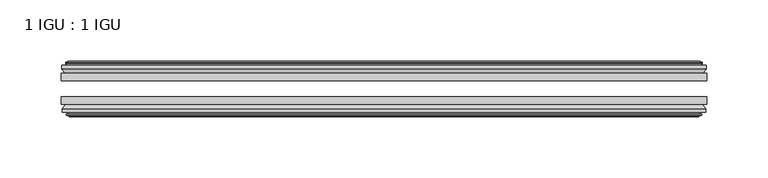
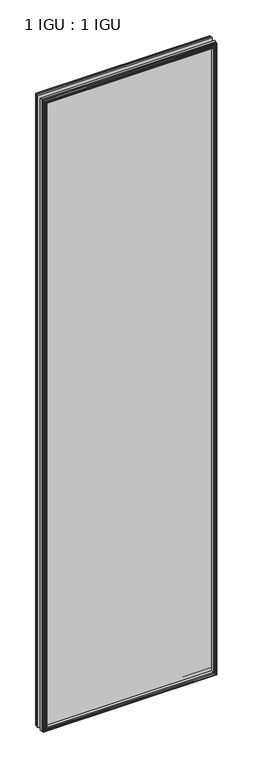
"""IFC4 building model written with IfcOpenShell, lengths in millimetres: plate geometry, 1 IGU : 1 IGU."""

from ifc_helpers import new_model, si_unit, frame, origin, place, context, project, spatial, polyline, outline, extrude, faceted_brep, source, transform, mapped, element, save


def plate_1_igu_1_igu_c68b1b67(model_context):
    return source(origin(), model_context, "Body", "SolidModel", [
        extrude(outline(polyline([(263.5091249, -19.5460937), (263.5091249, -25.8960938), (-263.5091249, -25.8960938), (-263.5091249, -19.5460937), (263.5091249, -19.5460937)])), frame((0.0, 0.0, -12.7), z_axis=(0.0, 0.0, 1.0), x_axis=(1.0, 0.0, 0.0)), (0.0, 0.0, 1.0), 2019.289595),
        extrude(outline(polyline([(-263.5091249, -44.9460938), (-263.5091249, -38.9186737), (263.5091249, -38.9186737), (263.5091249, -44.9460938), (-263.5091249, -44.9460938)])), frame((0.0, 0.0, -12.7), z_axis=(0.0, 0.0, 1.0), x_axis=(1.0, 0.0, 0.0)), (0.0, 0.0, 1.0), 2019.289595),
        faceted_brep([(-257.9211249, -53.6762907, 2001.001595), (-258.3021249, -51.2960937, 2001.382595), (-258.3021249, -51.2960937, -7.493), (-257.9211249, -53.6762907, -7.112), (-259.3366539, -53.2163575, 2002.4171241), (-259.3366539, -53.2163575, -8.5275291), (-259.3366539, -54.0175717, 2002.4171241), (-259.3366539, -54.0175717, -8.5275291), (-257.1591249, -54.7250937, 2000.239595), (-257.1591249, -54.7250937, -6.35), (-254.9815958, -54.0175717, 1998.062066), (-254.9815958, -54.0175717, -4.1724709), (-254.9815958, -53.2163575, 1998.062066), (-254.9815958, -53.2163575, -4.1724709), (-256.3971249, -53.6762907, 1999.477595), (-256.3971249, -53.6762907, -5.588), (-256.0161249, -51.2960937, 1999.096595), (-256.0161249, -51.2960937, -5.207), (-249.0914068, -44.9460937, 1992.171877), (-250.8091249, -51.2960937, 1993.889595), (-250.8091249, -51.2960937, 0.0), (-249.0914068, -44.9460937, 1.7177181), (-262.7471249, -48.3496937, 2005.827595), (-259.9127827, -44.9460937, 2002.9932529), (-259.9127827, -44.9460937, -9.1036578), (-262.7471249, -48.3496937, -11.938), (-262.7471249, -51.2960937, 2005.827595), (-262.7471249, -51.2960937, -11.938), (258.3021249, -51.2960938, -7.493), (257.9211249, -53.6762907, -7.112), (259.3366539, -53.2163575, -8.5275291), (259.3366539, -54.0175717, -8.5275291), (257.1591249, -54.7250937, -6.35), (254.9815958, -54.0175717, -4.1724709), (254.9815958, -53.2163575, -4.1724709), (256.3971249, -53.6762907, -5.588), (256.0161249, -51.2960937, -5.207), (250.8091249, -51.2960937, 0.0), (249.0914068, -44.9460937, 1.7177181), (259.9127827, -44.9460937, -9.1036578), (262.7471249, -48.3496937, -11.938), (262.7471249, -51.2960938, -11.938), (258.3021249, -51.2960938, 2001.382595), (257.9211249, -53.6762907, 2001.001595), (259.3366539, -53.2163575, 2002.4171241), (259.3366539, -54.0175717, 2002.4171241), (257.1591249, -54.7250937, 2000.239595), (254.9815958, -54.0175717, 1998.062066), (254.9815958, -53.2163575, 1998.062066), (256.3971249, -53.6762907, 1999.477595), (256.0161249, -51.2960937, 1999.096595), (250.8091249, -51.2960937, 1993.889595), (249.0914068, -44.9460937, 1992.171877), (259.9127827, -44.9460937, 2002.9932529), (262.7471249, -48.3496937, 2005.827595), (262.7471249, -51.2960938, 2005.827595)], [[[0, 1, 2, 3]], [[4, 0, 3, 5]], [[6, 4, 5, 7]], [[8, 6, 7, 9]], [[10, 8, 9, 11]], [[12, 10, 11, 13]], [[14, 12, 13, 15]], [[16, 14, 15, 17]], [[18, 19, 20, 21]], [[22, 23, 24, 25]], [[26, 22, 25, 27]], [[3, 2, 28, 29]], [[5, 3, 29, 30]], [[7, 5, 30, 31]], [[9, 7, 31, 32]], [[11, 9, 32, 33]], [[13, 11, 33, 34]], [[15, 13, 34, 35]], [[17, 15, 35, 36]], [[21, 20, 37, 38]], [[25, 24, 39, 40]], [[27, 25, 40, 41]], [[29, 28, 42, 43]], [[30, 29, 43, 44]], [[31, 30, 44, 45]], [[32, 31, 45, 46]], [[33, 32, 46, 47]], [[34, 33, 47, 48]], [[35, 34, 48, 49]], [[36, 35, 49, 50]], [[38, 37, 51, 52]], [[40, 39, 53, 54]], [[41, 40, 54, 55]], [[27, 41, 55, 26], [1, 42, 28, 2]], [[43, 42, 1, 0]], [[44, 43, 0, 4]], [[45, 44, 4, 6]], [[46, 45, 6, 8]], [[47, 46, 8, 10]], [[48, 47, 10, 12]], [[49, 48, 12, 14]], [[50, 49, 14, 16]], [[17, 36, 50, 16], [19, 51, 37, 20]], [[52, 51, 19, 18]], [[23, 53, 39, 24], [21, 38, 52, 18]], [[54, 53, 23, 22]], [[55, 54, 22, 26]]]),
        faceted_brep([(-260.4334827, -19.5460937, 2003.5139529), (-263.2678249, -16.1424937, 2006.348295), (-263.2678249, -16.1424937, -12.4587), (-260.4334827, -19.5460937, -9.6243578), (-251.3298249, -13.1960937, 1994.410295), (-249.6121068, -19.5460937, 1992.692577), (-249.6121068, -19.5460937, 1.1970181), (-251.3298249, -13.1960937, -0.5207), (-256.9178249, -10.8158968, 1999.998295), (-256.5368249, -13.1960937, 1999.617295), (-256.5368249, -13.1960937, -5.7277), (-256.9178249, -10.8158968, -6.1087), (-255.5022958, -11.27583, 1998.582766), (-255.5022958, -11.27583, -4.6931709), (-255.5022958, -10.4746158, 1998.582766), (-255.5022958, -10.4746158, -4.6931709), (-257.6798249, -9.7670937, 2000.760295), (-257.6798249, -9.7670937, -6.8707), (-259.8573539, -10.4746158, 2002.9378241), (-259.8573539, -10.4746158, -9.0482291), (-259.8573539, -11.27583, 2002.9378241), (-259.8573539, -11.27583, -9.0482291), (-258.4418249, -10.8158968, 2001.522295), (-258.4418249, -10.8158968, -7.6327), (-258.8228249, -13.1960937, 2001.903295), (-258.8228249, -13.1960937, -8.0137), (-263.2678249, -13.1960937, 2006.348295), (-263.2678249, -13.1960937, -12.4587), (263.2678249, -16.1424937, -12.4587), (260.4334827, -19.5460937, -9.6243578), (249.6121068, -19.5460937, 1.1970181), (251.3298249, -13.1960937, -0.5207), (256.5368249, -13.1960937, -5.7277), (256.9178249, -10.8158968, -6.1087), (255.5022958, -11.27583, -4.6931709), (255.5022958, -10.4746158, -4.6931709), (257.6798249, -9.7670937, -6.8707), (259.8573539, -10.4746158, -9.0482291), (259.8573539, -11.27583, -9.0482291), (258.4418249, -10.8158968, -7.6327), (258.8228249, -13.1960937, -8.0137), (263.2678249, -13.1960937, -12.4587), (263.2678249, -16.1424937, 2006.348295), (260.4334827, -19.5460937, 2003.5139529), (249.6121068, -19.5460937, 1992.692577), (251.3298249, -13.1960937, 1994.410295), (256.5368249, -13.1960937, 1999.617295), (256.9178249, -10.8158968, 1999.998295), (255.5022958, -11.27583, 1998.582766), (255.5022958, -10.4746158, 1998.582766), (257.6798249, -9.7670937, 2000.760295), (259.8573539, -10.4746158, 2002.9378241), (259.8573539, -11.27583, 2002.9378241), (258.4418249, -10.8158968, 2001.522295), (258.8228249, -13.1960937, 2001.903295), (263.2678249, -13.1960937, 2006.348295)], [[[0, 1, 2, 3]], [[4, 5, 6, 7]], [[8, 9, 10, 11]], [[12, 8, 11, 13]], [[14, 12, 13, 15]], [[16, 14, 15, 17]], [[18, 16, 17, 19]], [[20, 18, 19, 21]], [[22, 20, 21, 23]], [[24, 22, 23, 25]], [[1, 26, 27, 2]], [[3, 2, 28, 29]], [[7, 6, 30, 31]], [[11, 10, 32, 33]], [[13, 11, 33, 34]], [[15, 13, 34, 35]], [[17, 15, 35, 36]], [[19, 17, 36, 37]], [[21, 19, 37, 38]], [[23, 21, 38, 39]], [[25, 23, 39, 40]], [[2, 27, 41, 28]], [[29, 28, 42, 43]], [[31, 30, 44, 45]], [[33, 32, 46, 47]], [[34, 33, 47, 48]], [[35, 34, 48, 49]], [[36, 35, 49, 50]], [[37, 36, 50, 51]], [[38, 37, 51, 52]], [[39, 38, 52, 53]], [[40, 39, 53, 54]], [[28, 41, 55, 42]], [[43, 42, 1, 0]], [[3, 29, 43, 0], [5, 44, 30, 6]], [[45, 44, 5, 4]], [[9, 46, 32, 10], [7, 31, 45, 4]], [[47, 46, 9, 8]], [[48, 47, 8, 12]], [[49, 48, 12, 14]], [[50, 49, 14, 16]], [[51, 50, 16, 18]], [[52, 51, 18, 20]], [[53, 52, 20, 22]], [[54, 53, 22, 24]], [[26, 55, 41, 27], [25, 40, 54, 24]], [[42, 55, 26, 1]]]),
    ])


if __name__ == "__main__":
    model = new_model("IFC4")
    model_context = context("Model", 3, world=origin())
    ifc_project = project(units=[si_unit("LENGTHUNIT", "METRE", prefix="MILLI")], contexts=[model_context])
    site = spatial("IfcSite", under=ifc_project)
    building = spatial("IfcBuilding", under=site)
    placement = place(None, origin())
    plate_1_igu_1_igu_shape = plate_1_igu_1_igu_c68b1b67(model_context)
    element("IfcPlate", 1, ObjectType="1 IGU : 1 IGU", at=placement, inside=building, context=model_context, shape_type="MappedRepresentation", body=[
        mapped(plate_1_igu_1_igu_shape, transform((0.0, 0.0, 0.0), x_axis=(1.0, 0.0, 0.0), y_axis=(0.0, 1.0, 0.0), z_axis=(0.0, 0.0, 1.0))),
    ])
    save(model, "model.ifc")
